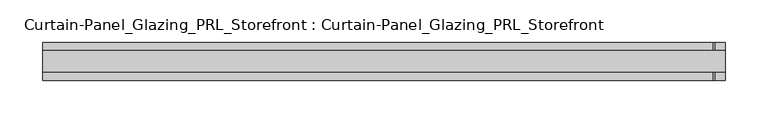
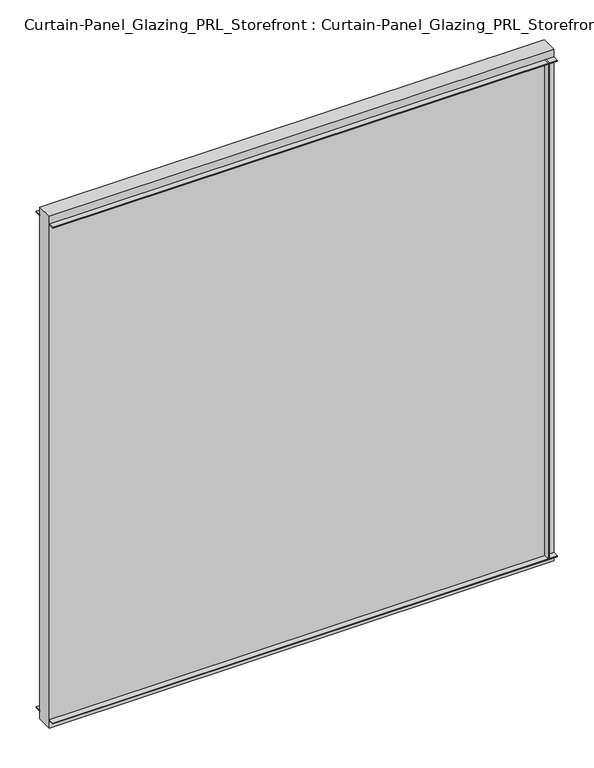
"""IFC4 building model written with IfcOpenShell, lengths in millimetres: plate geometry, Curtain-Panel_Glazing_PRL_Storefront : Curtain-Panel_Glazing_PRL_Storefront."""

from ifc_helpers import new_model, si_unit, frame, origin, origin_with_axes, place, context, project, spatial, polyline, outline, extrude, source, transform, mapped, element, save


def curtain_panel_glazing_prl_storefront_curtain_panel_glazing_cb2b91fb(model_context):
    return source(origin(), model_context, "Body", "SweptSolid", [
        extrude(outline(polyline([(387.35, 22.225), (387.35, 12.7), (385.7625, 12.7), (385.7625, 22.225), (387.35, 22.225)])), frame((0.0, 0.0, 12.7), z_axis=(0.0, 0.0, 1.0), x_axis=(1.0, 0.0, 0.0)), (0.0, 0.0, 1.0), 831.85),
        extrude(outline(polyline([(387.35, -22.225), (385.7625, -22.225), (385.7625, -12.7), (387.35, -12.7), (387.35, -22.225)])), frame((0.0, 0.0, 12.7), z_axis=(0.0, 0.0, 1.0), x_axis=(1.0, 0.0, 0.0)), (0.0, 0.0, 1.0), 831.85),
        extrude(outline(polyline([(400.05, -12.7), (-400.05, -12.7), (-400.05, 12.7), (400.05, 12.7), (400.05, -12.7)])), origin_with_axes(), (0.0, 0.0, 1.0), 857.25),
        extrude(outline(polyline([(-400.05, 22.225), (400.05, 22.225), (400.05, 12.7), (-400.05, 12.7), (-400.05, 22.225)])), frame((0.0, 0.0, 842.9625), z_axis=(0.0, 0.0, 1.0), x_axis=(1.0, 0.0, 0.0)), (0.0, 0.0, 1.0), 1.5875),
        extrude(outline(polyline([(-400.05, -22.225), (-400.05, -12.7), (400.05, -12.7), (400.05, -22.225), (-400.05, -22.225)])), frame((0.0, 0.0, 842.9625), z_axis=(0.0, 0.0, 1.0), x_axis=(1.0, 0.0, 0.0)), (0.0, 0.0, 1.0), 1.5875),
        extrude(outline(polyline([(-400.05, 22.225), (400.05, 22.225), (400.05, 12.7), (-400.05, 12.7), (-400.05, 22.225)])), frame((0.0, 0.0, 12.7), z_axis=(0.0, 0.0, 1.0), x_axis=(1.0, 0.0, 0.0)), (0.0, 0.0, 1.0), 1.5875),
        extrude(outline(polyline([(-400.05, -22.225), (-400.05, -12.7), (400.05, -12.7), (400.05, -22.225), (-400.05, -22.225)])), frame((0.0, 0.0, 12.7), z_axis=(0.0, 0.0, 1.0), x_axis=(1.0, 0.0, 0.0)), (0.0, 0.0, 1.0), 1.5875),
    ])


if __name__ == "__main__":
    model = new_model("IFC4")
    model_context = context("Model", 3, world=origin())
    ifc_project = project(units=[si_unit("LENGTHUNIT", "METRE", prefix="MILLI")], contexts=[model_context])
    site = spatial("IfcSite", under=ifc_project)
    building = spatial("IfcBuilding", under=site)
    placement = place(None, origin())
    curtain_panel_glazing_prl_storefront_curtain_panel_glazing_shape = curtain_panel_glazing_prl_storefront_curtain_panel_glazing_cb2b91fb(model_context)
    element("IfcPlate", 1, ObjectType="Curtain-Panel_Glazing_PRL_Storefront : Curtain-Panel_Glazing_PRL_Storefront", at=placement, inside=building, context=model_context, shape_type="MappedRepresentation", body=[
        mapped(curtain_panel_glazing_prl_storefront_curtain_panel_glazing_shape, transform((0.0, 0.0, 0.0), x_axis=(1.0, 0.0, 0.0), y_axis=(0.0, 1.0, 0.0), z_axis=(0.0, 0.0, 1.0))),
    ])
    save(model, "model.ifc")
